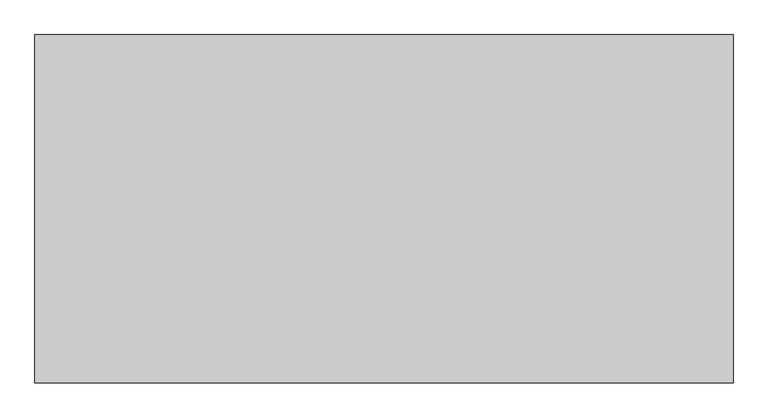
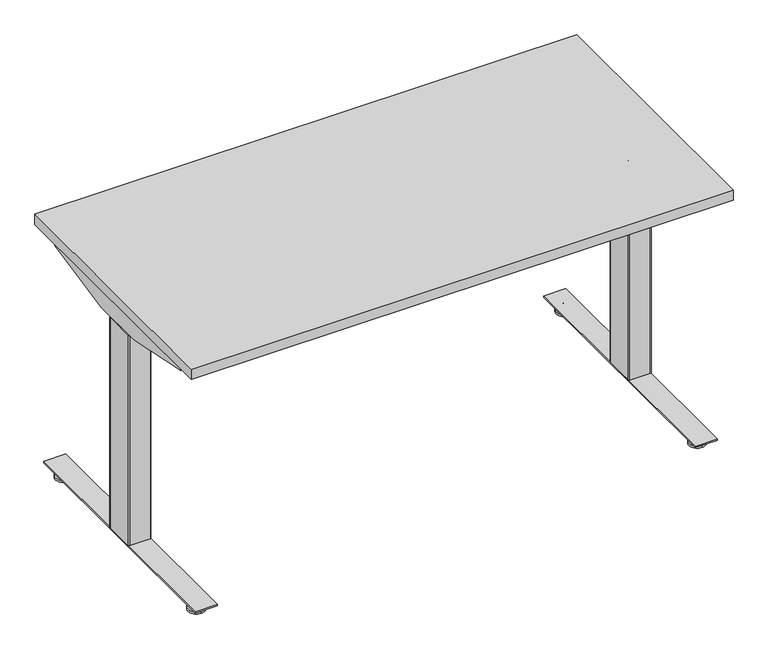
"""IFC4 building model written with IfcOpenShell, lengths in millimetres: furniture geometry."""

from ifc_helpers import new_model, si_unit, point, frame, frame_2d, origin, place, context, project, spatial, polyline, circle_curve, trimmed, segment, composite_curve, outline, extrude, source, transform, mapped, element, save
from ifc_brep_helpers import plane_surface, cylinder_surface, revolved_surface, advanced_brep


def furniture_d25f7071(model_context):
    return source(origin(), model_context, "Body", "SolidModel", [
        extrude(outline(composite_curve([segment(polyline([(24.0299808, 91.9126008), (24.0299808, 89.2526023), (15.0465732, 89.2526023)]), True, "CONTINUOUS"), segment(trimmed(circle_curve(frame_2d((15.0465732, 88.1760101)), 1.0765922), [point((15.0465732, 89.2526023))], [point((13.969981, 88.1760101))], True, "CARTESIAN"), True, "CONTINUOUS"), segment(polyline([(13.969981, 88.1760101), (13.969981, 57.733733)]), True, "CONTINUOUS"), segment(trimmed(circle_curve(frame_2d((14.981112, 57.733733)), 1.011131), [point((13.969981, 57.733733))], [point((14.981112, 56.7226021))], True, "CARTESIAN"), True, "CONTINUOUS"), segment(polyline([(14.981112, 56.7226021), (24.0299808, 56.7226021), (24.0299808, 54.0625991), (14.9699813, 54.0625991), (13.1399808, 54.5529489), (11.8003278, 55.8926019), (11.3099815, 57.7226046), (11.3099815, 88.2526043), (11.8003278, 90.0826025), (13.1399808, 91.4222555), (14.9699813, 91.9126008), (24.0299808, 91.9126008)]), True, "CONTINUOUS")], self_intersect=False)), frame((0.0, -646.1468746, 0.0), z_axis=(0.0, 1.0, 0.0), x_axis=(0.0, 0.0, 1.0)), (0.0, 0.0, 1.0), 507.9999924),
        advanced_brep(
        [(71.6136021, -726.0252467, 9.1e-06), (71.6136021, -703.4479001, 9.1e-06), (71.6136021, -680.8705535, 9.1e-06), (71.6136021, -726.0109304, 5.8932313), (71.6136021, -680.8848697, 5.8932313), (71.6136021, -706.9684154, 9.6997702), (71.6136021, -699.9273847, 9.6997702), (71.6136021, -706.9684154, 23.9856018), (71.6136021, -699.9273847, 23.9856018), (71.6136021, -703.4479001, 23.9856018)],
        [
            (0, 1),
            (1, 2),
            (2, 0, circle_curve(frame((71.6136021, -703.4479001, 9.1e-06), z_axis=(0.0, 0.0, -1.0), x_axis=(0.0, 1.0, 0.0)), 22.5773466)),
            (0, 2, circle_curve(frame((71.6136021, -703.4479001, 9.1e-06), z_axis=(0.0, 0.0, -1.0), x_axis=(0.0, 1.0, 0.0)), 22.5773466)),
            (3, 0),
            (2, 4),
            (4, 3, circle_curve(frame((71.6136021, -703.4479001, 5.8932313), z_axis=(0.0, 0.0, -1.0), x_axis=(0.0, 1.0, 0.0)), 22.5630303)),
            (3, 4, circle_curve(frame((71.6136021, -703.4479001, 5.8932313), z_axis=(0.0, 0.0, -1.0), x_axis=(0.0, 1.0, 0.0)), 22.5630303)),
            (5, 3),
            (4, 6),
            (6, 5, circle_curve(frame((71.6136021, -703.4479001, 9.6997702), z_axis=(0.0, 0.0, -1.0), x_axis=(0.0, 1.0, 0.0)), 3.5205153)),
            (5, 6, circle_curve(frame((71.6136021, -703.4479001, 9.6997702), z_axis=(0.0, 0.0, -1.0), x_axis=(0.0, 1.0, 0.0)), 3.5205153)),
            (7, 5),
            (6, 8),
            (8, 7, circle_curve(frame((71.6136021, -703.4479001, 23.9856018), z_axis=(0.0, 0.0, -1.0), x_axis=(0.0, 1.0, 0.0)), 3.5205153)),
            (7, 8, circle_curve(frame((71.6136021, -703.4479001, 23.9856018), z_axis=(0.0, 0.0, -1.0), x_axis=(0.0, 1.0, 0.0)), 3.5205153)),
            (9, 7),
            (8, 9),
        ],
        [
            plane_surface(frame((71.6136021, -703.4479001, 9.1e-06), z_axis=(0.0, 0.0, -1.0), x_axis=(0.0, 1.0, 0.0))),
            revolved_surface(polyline([(71.6136021, -680.8705535, 9.1e-06), (71.6136021, -680.8848697, 5.8932313)]), (71.6136021, -703.4479001, -6.3499909), (0.0, 0.0, 1.0)),
            revolved_surface(polyline([(71.6136021, -680.8848697, 5.8932313), (71.6136021, -699.9273847, 9.6997702)]), (71.6136021, -703.4479001, -6.3499909), (0.0, 0.0, 1.0)),
            cylinder_surface(frame((71.6136021, -703.4479001, -6.3499909), z_axis=(0.0, 0.0, 1.0), x_axis=(0.0, 1.0, 0.0)), 3.5205153),
            plane_surface(frame((71.6136021, -703.4479001, 23.9856018), z_axis=(0.0, 0.0, 1.0), x_axis=(0.0, 1.0, 0.0))),
        ],
        [
            (0, [[1, 2, 3]]),
            (0, [[-2, -1, 4]]),
            (1, [[5, -3, 6, 7]]),
            (1, [[-6, -4, -5, 8]]),
            (2, [[9, -7, 10, 11]]),
            (2, [[-10, -8, -9, 12]]),
            (3, [[13, -11, 14, 15]]),
            (3, [[-14, -12, -13, 16]]),
            (4, [[17, -15, 18]]),
            (4, [[-18, -16, -17]]),
        ],
    ),
        advanced_brep(
        [(71.6136021, -80.677371, 23.9447896), (71.6136021, -84.2813634, 23.9447896), (71.6136021, -77.0733786, 23.9447896), (71.6136021, -103.3167838, 9.1e-06), (71.6136021, -80.677371, 9.1e-06), (71.6136021, -58.0379582, 9.1e-06), (71.6136021, -103.3024934, 5.8932313), (71.6136021, -58.0522486, 5.8932313), (71.6136021, -84.2599821, 9.6997702), (71.6136021, -77.0947599, 9.6997702)],
        [
            (0, 1),
            (1, 2, circle_curve(frame((71.6136021, -80.677371, 23.9447896), z_axis=(0.0, 0.0, 1.0), x_axis=(0.0, 1.0, 0.0)), 3.6039924)),
            (2, 0),
            (2, 1, circle_curve(frame((71.6136021, -80.677371, 23.9447896), z_axis=(0.0, 0.0, 1.0), x_axis=(0.0, 1.0, 0.0)), 3.6039924)),
            (3, 4),
            (4, 5),
            (5, 3, circle_curve(frame((71.6136021, -80.677371, 9.1e-06), z_axis=(0.0, 0.0, -1.0), x_axis=(0.0, 1.0, 0.0)), 22.6394128)),
            (3, 5, circle_curve(frame((71.6136021, -80.677371, 9.1e-06), z_axis=(0.0, 0.0, -1.0), x_axis=(0.0, 1.0, 0.0)), 22.6394128)),
            (6, 3),
            (5, 7),
            (7, 6, circle_curve(frame((71.6136021, -80.677371, 5.8932313), z_axis=(0.0, 0.0, -1.0), x_axis=(0.0, 1.0, 0.0)), 22.6251224)),
            (6, 7, circle_curve(frame((71.6136021, -80.677371, 5.8932313), z_axis=(0.0, 0.0, -1.0), x_axis=(0.0, 1.0, 0.0)), 22.6251224)),
            (8, 6),
            (7, 9),
            (9, 8, circle_curve(frame((71.6136021, -80.677371, 9.6997702), z_axis=(0.0, 0.0, -1.0), x_axis=(0.0, 1.0, 0.0)), 3.5826111)),
            (8, 9, circle_curve(frame((71.6136021, -80.677371, 9.6997702), z_axis=(0.0, 0.0, -1.0), x_axis=(0.0, 1.0, 0.0)), 3.5826111)),
            (1, 8),
            (9, 2),
        ],
        [
            plane_surface(frame((71.6136021, -80.677371, 23.9447896), z_axis=(0.0, 0.0, 1.0), x_axis=(0.0, 1.0, 0.0))),
            plane_surface(frame((71.6136021, -80.677371, 9.1e-06), z_axis=(0.0, 0.0, -1.0), x_axis=(0.0, 1.0, 0.0))),
            revolved_surface(polyline([(71.6136021, -58.0379582, 9.1e-06), (71.6136021, -58.0522486, 5.8932313)]), (71.6136021, -80.677371, -4.2199069), (0.0, 0.0, 1.0)),
            revolved_surface(polyline([(71.6136021, -58.0522486, 5.8932313), (71.6136021, -77.0947599, 9.6997702)]), (71.6136021, -80.677371, -4.2199069), (0.0, 0.0, 1.0)),
            cylinder_surface(frame((71.6136021, -80.677371, -4.2199069), z_axis=(0.0, 0.0, 1.0), x_axis=(0.0, 1.0, 0.0)), 3.5617141),
        ],
        [
            (0, [[1, 2, 3]]),
            (0, [[-3, 4, -1]]),
            (1, [[5, 6, 7]]),
            (1, [[-6, -5, 8]]),
            (2, [[9, -7, 10, 11]]),
            (2, [[-10, -8, -9, 12]]),
            (3, [[13, -11, 14, 15]]),
            (3, [[-14, -12, -13, 16]]),
            (4, [[17, -15, 18, -2]]),
            (4, [[-18, -16, -17, -4]]),
        ],
    ),
        extrude(outline(polyline([(42.9876029, -36.5468837), (102.9576025, -36.5468837), (102.9576025, -747.7468867), (42.9876029, -747.7468867), (42.9876029, -36.5468837)])), frame((0.0, 0.0, 24.0299808), z_axis=(0.0, 0.0, 1.0), x_axis=(1.0, 0.0, 0.0)), (0.0, 0.0, 1.0), 4.1800001),
        extrude(outline(composite_curve([segment(polyline([(98.1047994, -352.3927982), (98.1047994, -434.8963759)]), True, "CONTINUOUS"), segment(trimmed(circle_curve(frame_2d((95.8187994, -434.8963759)), 2.286), [point((98.1047994, -434.8963759))], [point((95.8187994, -437.1823759))], False, "CARTESIAN"), True, "CONTINUOUS"), segment(polyline([(95.8187994, -437.1823759), (47.5023125, -437.1823759)]), True, "CONTINUOUS"), segment(trimmed(circle_curve(frame_2d((47.5023125, -434.8963759)), 2.286), [point((47.5023125, -437.1823759))], [point((45.2163125, -434.8963759))], False, "CARTESIAN"), True, "CONTINUOUS"), segment(polyline([(45.2163125, -434.8963759), (45.2163125, -352.2329455)]), True, "CONTINUOUS"), segment(trimmed(circle_curve(frame_2d((47.5023125, -352.3927982)), 2.2915822), [point((45.2163125, -352.2329455))], [point((47.3424598, -350.1067982))], False, "CARTESIAN"), True, "CONTINUOUS"), segment(polyline([(47.3424598, -350.1067982), (95.8187994, -350.1067982)]), True, "CONTINUOUS"), segment(trimmed(circle_curve(frame_2d((95.8187994, -352.3927982)), 2.286), [point((95.8187994, -350.1067982))], [point((98.1047994, -352.3927982))], False, "CARTESIAN"), True, "CONTINUOUS")], self_intersect=False)), frame((0.0, 0.0, 631.6980091), z_axis=(0.0, 0.0, 1.0), x_axis=(1.0, 0.0, 0.0)), (0.0, 0.0, 1.0), 63.5819446),
        extrude(outline(composite_curve([segment(polyline([(44.6584207, -347.179857), (100.2661103, -347.179857)]), True, "CONTINUOUS"), segment(trimmed(circle_curve(frame_2d((100.2656021, -350.227857)), 3.048), [point((100.2661103, -347.179857))], [point((103.3136021, -350.227857))], False, "CARTESIAN"), True, "CONTINUOUS"), segment(polyline([(103.3136021, -350.227857), (103.3136021, -434.125863)]), True, "CONTINUOUS"), segment(trimmed(circle_curve(frame_2d((100.2656021, -434.125863)), 3.048), [point((103.3136021, -434.125863))], [point((100.2635382, -437.1738623))], False, "CARTESIAN"), True, "CONTINUOUS"), segment(polyline([(100.2635382, -437.1738623), (44.638999, -437.1361976)]), True, "CONTINUOUS"), segment(trimmed(circle_curve(frame_2d((44.6410511, -434.105568)), 3.0306304), [point((44.638999, -437.1361976))], [point((41.6104207, -434.105568))], False, "CARTESIAN"), True, "CONTINUOUS"), segment(polyline([(41.6104207, -434.105568), (41.6104207, -350.227857)]), True, "CONTINUOUS"), segment(trimmed(circle_curve(frame_2d((44.6584207, -350.227857)), 3.048), [point((41.6104207, -350.227857))], [point((44.6584207, -347.179857))], False, "CARTESIAN"), True, "CONTINUOUS")], self_intersect=False)), frame((0.0, 0.0, 28.209981), z_axis=(0.0, 0.0, 1.0), x_axis=(1.0, 0.0, 0.0)), (0.0, 0.0, 1.0), 603.4880281),
        extrude(outline(composite_curve([segment(polyline([(24.0299717, 1409.9357036), (14.9699722, 1409.9357036), (13.1399717, 1410.4260488), (11.8003187, 1411.7657018), (11.3099724, 1413.5957), (11.3099724, 1444.1256997), (11.8003187, 1445.9557024), (13.1399717, 1447.2953554), (14.9699722, 1447.7857052), (24.0299717, 1447.7857052), (24.0299717, 1445.1257022), (14.9811029, 1445.1257022)]), True, "CONTINUOUS"), segment(trimmed(circle_curve(frame_2d((14.9811029, 1444.1145713)), 1.011131), [point((14.9811029, 1445.1257022))], [point((13.9699719, 1444.1145713))], True, "CARTESIAN"), True, "CONTINUOUS"), segment(polyline([(13.9699719, 1444.1145713), (13.9699719, 1413.6722942)]), True, "CONTINUOUS"), segment(trimmed(circle_curve(frame_2d((15.0465641, 1413.6722942)), 1.0765922), [point((13.9699719, 1413.6722942))], [point((15.0465641, 1412.595702))], True, "CARTESIAN"), True, "CONTINUOUS"), segment(polyline([(15.0465641, 1412.595702), (24.0299717, 1412.595702), (24.0299717, 1409.9357036)]), True, "CONTINUOUS")], self_intersect=False)), frame((0.0, -646.1468746, 0.0), z_axis=(0.0, 1.0, 0.0), x_axis=(0.0, 0.0, 1.0)), (0.0, 0.0, 1.0), 507.9999924),
        advanced_brep(
        [(1430.2347023, -726.0252467, 0.0), (1430.2347023, -680.8705535, 0.0), (1430.2347023, -703.4479001, 0.0), (1430.2347023, -726.0109304, 5.8932222), (1430.2347023, -680.8848697, 5.8932222), (1430.2347023, -706.9684154, 9.6997611), (1430.2347023, -699.9273847, 9.6997611), (1430.2347023, -706.9684154, 23.9855927), (1430.2347023, -699.9273847, 23.9855927), (1430.2347023, -703.4479001, 23.9855927)],
        [
            (0, 1, circle_curve(frame((1430.2347023, -703.4479001, 0.0), z_axis=(0.0, 0.0, -1.0), x_axis=(0.0, 1.0, 0.0)), 22.5773466)),
            (1, 2),
            (2, 0),
            (1, 0, circle_curve(frame((1430.2347023, -703.4479001, 0.0), z_axis=(0.0, 0.0, -1.0), x_axis=(0.0, 1.0, 0.0)), 22.5773466)),
            (3, 4, circle_curve(frame((1430.2347023, -703.4479001, 5.8932222), z_axis=(0.0, 0.0, -1.0), x_axis=(0.0, 1.0, 0.0)), 22.5630303)),
            (4, 1),
            (0, 3),
            (4, 3, circle_curve(frame((1430.2347023, -703.4479001, 5.8932222), z_axis=(0.0, 0.0, -1.0), x_axis=(0.0, 1.0, 0.0)), 22.5630303)),
            (5, 6, circle_curve(frame((1430.2347023, -703.4479001, 9.6997611), z_axis=(0.0, 0.0, -1.0), x_axis=(0.0, 1.0, 0.0)), 3.5205153)),
            (6, 4),
            (3, 5),
            (6, 5, circle_curve(frame((1430.2347023, -703.4479001, 9.6997611), z_axis=(0.0, 0.0, -1.0), x_axis=(0.0, 1.0, 0.0)), 3.5205153)),
            (7, 8, circle_curve(frame((1430.2347023, -703.4479001, 23.9855927), z_axis=(0.0, 0.0, -1.0), x_axis=(0.0, 1.0, 0.0)), 3.5205153)),
            (8, 6),
            (5, 7),
            (8, 7, circle_curve(frame((1430.2347023, -703.4479001, 23.9855927), z_axis=(0.0, 0.0, -1.0), x_axis=(0.0, 1.0, 0.0)), 3.5205153)),
            (9, 8),
            (7, 9),
        ],
        [
            plane_surface(frame((1430.2347023, -703.4479001, 0.0), z_axis=(0.0, 0.0, -1.0), x_axis=(0.0, 1.0, 0.0))),
            revolved_surface(polyline([(1430.2347023, -680.8705535, 0.0), (1430.2347023, -680.8848697, 5.8932222)]), (1430.2347023, -703.4479001, -6.35), (0.0, 0.0, 1.0)),
            revolved_surface(polyline([(1430.2347023, -680.8848697, 5.8932222), (1430.2347023, -699.9273847, 9.6997611)]), (1430.2347023, -703.4479001, -6.35), (0.0, 0.0, 1.0)),
            cylinder_surface(frame((1430.2347023, -703.4479001, -6.35), z_axis=(0.0, 0.0, 1.0), x_axis=(0.0, 1.0, 0.0)), 3.5205153),
            plane_surface(frame((1430.2347023, -703.4479001, 23.9855927), z_axis=(0.0, 0.0, 1.0), x_axis=(0.0, 1.0, 0.0))),
        ],
        [
            (0, [[1, 2, 3]]),
            (0, [[4, -3, -2]]),
            (1, [[5, 6, -1, 7]]),
            (1, [[8, -7, -4, -6]]),
            (2, [[9, 10, -5, 11]]),
            (2, [[12, -11, -8, -10]]),
            (3, [[13, 14, -9, 15]]),
            (3, [[16, -15, -12, -14]]),
            (4, [[17, -13, 18]]),
            (4, [[-18, -16, -17]]),
        ],
    ),
        advanced_brep(
        [(1430.2347023, -80.677371, 23.9447805), (1430.2347023, -77.0733786, 23.9447805), (1430.2347023, -84.2813634, 23.9447805), (1430.2347023, -103.3167838, 0.0), (1430.2347023, -58.0379582, 0.0), (1430.2347023, -80.677371, 0.0), (1430.2347023, -103.3024934, 5.8932222), (1430.2347023, -58.0522486, 5.8932222), (1430.2347023, -84.2599821, 9.6997611), (1430.2347023, -77.0947599, 9.6997611)],
        [
            (0, 1),
            (1, 2, circle_curve(frame((1430.2347023, -80.677371, 23.9447805), z_axis=(0.0, 0.0, 1.0), x_axis=(0.0, 1.0, 0.0)), 3.6039924)),
            (2, 0),
            (2, 1, circle_curve(frame((1430.2347023, -80.677371, 23.9447805), z_axis=(0.0, 0.0, 1.0), x_axis=(0.0, 1.0, 0.0)), 3.6039924)),
            (3, 4, circle_curve(frame((1430.2347023, -80.677371, 0.0), z_axis=(0.0, 0.0, -1.0), x_axis=(0.0, 1.0, 0.0)), 22.6394128)),
            (4, 5),
            (5, 3),
            (4, 3, circle_curve(frame((1430.2347023, -80.677371, 0.0), z_axis=(0.0, 0.0, -1.0), x_axis=(0.0, 1.0, 0.0)), 22.6394128)),
            (6, 7, circle_curve(frame((1430.2347023, -80.677371, 5.8932222), z_axis=(0.0, 0.0, -1.0), x_axis=(0.0, 1.0, 0.0)), 22.6251224)),
            (7, 4),
            (3, 6),
            (7, 6, circle_curve(frame((1430.2347023, -80.677371, 5.8932222), z_axis=(0.0, 0.0, -1.0), x_axis=(0.0, 1.0, 0.0)), 22.6251224)),
            (8, 9, circle_curve(frame((1430.2347023, -80.677371, 9.6997611), z_axis=(0.0, 0.0, -1.0), x_axis=(0.0, 1.0, 0.0)), 3.5826111)),
            (9, 7),
            (6, 8),
            (9, 8, circle_curve(frame((1430.2347023, -80.677371, 9.6997611), z_axis=(0.0, 0.0, -1.0), x_axis=(0.0, 1.0, 0.0)), 3.5826111)),
            (1, 9),
            (8, 2),
        ],
        [
            plane_surface(frame((1430.2347023, -80.677371, 23.9447805), z_axis=(0.0, 0.0, 1.0), x_axis=(0.0, 1.0, 0.0))),
            plane_surface(frame((1430.2347023, -80.677371, 0.0), z_axis=(0.0, 0.0, -1.0), x_axis=(0.0, 1.0, 0.0))),
            revolved_surface(polyline([(1430.2347023, -58.0379582, 0.0), (1430.2347023, -58.0522486, 5.8932222)]), (1430.2347023, -80.677371, -4.219916), (0.0, 0.0, 1.0)),
            revolved_surface(polyline([(1430.2347023, -58.0522486, 5.8932222), (1430.2347023, -77.0947599, 9.6997611)]), (1430.2347023, -80.677371, -4.219916), (0.0, 0.0, 1.0)),
            cylinder_surface(frame((1430.2347023, -80.677371, -4.219916), z_axis=(0.0, 0.0, 1.0), x_axis=(0.0, 1.0, 0.0)), 3.5617141),
        ],
        [
            (0, [[1, 2, 3]]),
            (0, [[-3, 4, -1]]),
            (1, [[5, 6, 7]]),
            (1, [[8, -7, -6]]),
            (2, [[9, 10, -5, 11]]),
            (2, [[12, -11, -8, -10]]),
            (3, [[13, 14, -9, 15]]),
            (3, [[16, -15, -12, -14]]),
            (4, [[-2, 17, -13, 18]]),
            (4, [[-4, -18, -16, -17]]),
        ],
    ),
        extrude(outline(polyline([(1458.8607014, -36.5468837), (1458.8607014, -747.7468867), (1398.8907019, -747.7468867), (1398.8907019, -36.5468837), (1458.8607014, -36.5468837)])), frame((0.0, 0.0, 24.0299717), z_axis=(0.0, 0.0, 1.0), x_axis=(1.0, 0.0, 0.0)), (0.0, 0.0, 1.0), 4.1800001),
        extrude(outline(composite_curve([segment(trimmed(circle_curve(frame_2d((1406.0295049, -352.3927982)), 2.286), [point((1403.7435049, -352.3927982))], [point((1406.0295049, -350.1067982))], False, "CARTESIAN"), True, "CONTINUOUS"), segment(polyline([(1406.0295049, -350.1067982), (1454.5058445, -350.1067982)]), True, "CONTINUOUS"), segment(trimmed(circle_curve(frame_2d((1454.3459918, -352.3927982)), 2.2915822), [point((1454.5058445, -350.1067982))], [point((1456.6319918, -352.2329455))], False, "CARTESIAN"), True, "CONTINUOUS"), segment(polyline([(1456.6319918, -352.2329455), (1456.6319918, -434.8963759)]), True, "CONTINUOUS"), segment(trimmed(circle_curve(frame_2d((1454.3459918, -434.8963759)), 2.286), [point((1456.6319918, -434.8963759))], [point((1454.3459918, -437.1823759))], False, "CARTESIAN"), True, "CONTINUOUS"), segment(polyline([(1454.3459918, -437.1823759), (1406.0295049, -437.1823759)]), True, "CONTINUOUS"), segment(trimmed(circle_curve(frame_2d((1406.0295049, -434.8963759)), 2.286), [point((1406.0295049, -437.1823759))], [point((1403.7435049, -434.8963759))], False, "CARTESIAN"), True, "CONTINUOUS"), segment(polyline([(1403.7435049, -434.8963759), (1403.7435049, -352.3927982)]), True, "CONTINUOUS")], self_intersect=False)), frame((0.0, 0.0, 631.698), z_axis=(0.0, 0.0, 1.0), x_axis=(1.0, 0.0, 0.0)), (0.0, 0.0, 1.0), 63.5819446),
        extrude(outline(composite_curve([segment(trimmed(circle_curve(frame_2d((1457.1898836, -350.227857)), 3.048), [point((1457.1898836, -347.179857))], [point((1460.2378836, -350.227857))], False, "CARTESIAN"), True, "CONTINUOUS"), segment(polyline([(1460.2378836, -350.227857), (1460.2378836, -434.105568)]), True, "CONTINUOUS"), segment(trimmed(circle_curve(frame_2d((1457.2072532, -434.105568)), 3.0306304), [point((1460.2378836, -434.105568))], [point((1457.2093053, -437.1361976))], False, "CARTESIAN"), True, "CONTINUOUS"), segment(polyline([(1457.2093053, -437.1361976), (1401.5847661, -437.1738623)]), True, "CONTINUOUS"), segment(trimmed(circle_curve(frame_2d((1401.5827022, -434.125863)), 3.048), [point((1401.5847661, -437.1738623))], [point((1398.5347022, -434.125863))], False, "CARTESIAN"), True, "CONTINUOUS"), segment(polyline([(1398.5347022, -434.125863), (1398.5347022, -350.227857)]), True, "CONTINUOUS"), segment(trimmed(circle_curve(frame_2d((1401.5827022, -350.227857)), 3.048), [point((1398.5347022, -350.227857))], [point((1401.582194, -347.179857))], False, "CARTESIAN"), True, "CONTINUOUS"), segment(polyline([(1401.582194, -347.179857), (1457.1898836, -347.179857)]), True, "CONTINUOUS")], self_intersect=False)), frame((0.0, 0.0, 28.2099719), z_axis=(0.0, 0.0, 1.0), x_axis=(1.0, 0.0, 0.0)), (0.0, 0.0, 1.0), 603.4880281),
        extrude(outline(composite_curve([segment(polyline([(-348.0894339, 658.8786781), (-436.4009814, 658.8786781)]), True, "CONTINUOUS"), segment(trimmed(circle_curve(frame_2d((-436.4009814, 661.8561465)), 2.9774683), [point((-436.4009814, 658.8786781))], [point((-439.3784497, 661.8561465))], False, "CARTESIAN"), True, "CONTINUOUS"), segment(polyline([(-439.3784497, 661.8561465), (-439.3784497, 706.7295758), (-437.4784204, 706.7295758), (-437.4784204, 661.7405996)]), True, "CONTINUOUS"), segment(trimmed(circle_curve(frame_2d((-436.5165283, 661.7405996)), 0.9618921), [point((-437.4784204, 661.7405996))], [point((-436.5165283, 660.7787075))], True, "CARTESIAN"), True, "CONTINUOUS"), segment(polyline([(-436.5165283, 660.7787075), (-347.9945797, 660.7787075)]), True, "CONTINUOUS"), segment(trimmed(circle_curve(frame_2d((-347.9945797, 661.8948418)), 1.1161343), [point((-347.9945797, 660.7787075))], [point((-346.8784454, 661.8948418))], True, "CARTESIAN"), True, "CONTINUOUS"), segment(polyline([(-346.8784454, 661.8948418), (-346.8784454, 706.7295758), (-344.9784342, 706.7295758), (-344.9784342, 661.9896778)]), True, "CONTINUOUS"), segment(trimmed(circle_curve(frame_2d((-348.0894339, 661.9896778)), 3.1109997), [point((-344.9784342, 661.9896778))], [point((-348.0894339, 658.8786781))], False, "CARTESIAN"), True, "CONTINUOUS")], self_intersect=False)), frame((103.3136021, 0.0, 0.0), z_axis=(1.0, 0.0, 0.0), x_axis=(0.0, 1.0, 0.0)), (0.0, 0.0, 1.0), 1295.2211001),
        extrude(outline(polyline([(-688.1042925, 706.7295758), (-96.2085395, 706.7295758), (-96.2085395, 685.2358146), (-315.3907598, 640.6513622), (-468.961128, 640.6513622), (-688.1042925, 685.2236392), (-688.1042925, 706.7295758)])), frame((38.1482286, 0.0, 0.0), z_axis=(1.0, 0.0, 0.0), x_axis=(0.0, 1.0, 0.0)), (0.0, 0.0, 1.0), 1.8999567),
        extrude(outline(polyline([(-688.1042925, 706.7295758), (-96.247586, 706.7295758), (-96.247586, 685.2236392), (-315.3907598, 640.6513622), (-468.961128, 640.6513622), (-688.1042925, 685.2236392), (-688.1042925, 706.7295758)])), frame((1480.8760334, 0.0, 0.0), z_axis=(1.0, 0.0, 0.0), x_axis=(0.0, 1.0, 0.0)), (0.0, 0.0, 1.0), 1.8999567),
        extrude(outline(polyline([(25.4000008, -25.4000008), (1495.5520271, -25.4000008), (1495.5520271, -758.9520029), (25.4000008, -758.9520029), (25.4000008, -25.4000008)])), frame((0.0, 0.0, 706.7295758), z_axis=(0.0, 0.0, 1.0), x_axis=(1.0, 0.0, 0.0)), (0.0, 0.0, 1.0), 29.8704242),
    ])


if __name__ == "__main__":
    model = new_model("IFC4")
    model_context = context("Model", 3, world=origin())
    ifc_project = project(units=[si_unit("LENGTHUNIT", "METRE", prefix="MILLI")], contexts=[model_context])
    site = spatial("IfcSite", under=ifc_project)
    building = spatial("IfcBuilding", under=site)
    placement = place(None, origin())
    furniture_shape = furniture_d25f7071(model_context)
    element("IfcFurniture", 1, at=placement, inside=building, context=model_context, shape_type="MappedRepresentation", body=[
        mapped(furniture_shape, transform((0.0, 0.0, 0.0), x_axis=(1.0, 0.0, 0.0), y_axis=(0.0, 1.0, 0.0), z_axis=(0.0, 0.0, 1.0))),
    ])
    save(model, "model.ifc")
